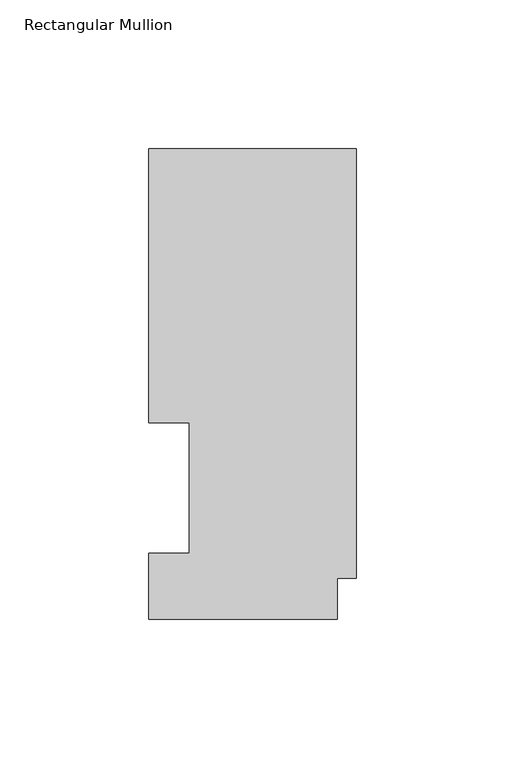
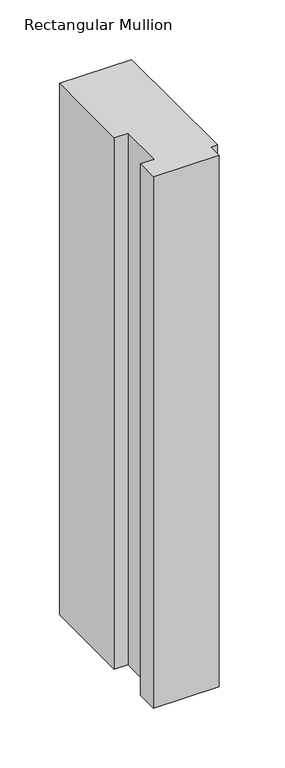
"""IFC4 building model written with IfcOpenShell, lengths in millimetres: member geometry, Rectangular Mullion."""

from ifc_helpers import new_model, si_unit, frame, origin, place, context, project, spatial, polyline, outline, extrude, source, transform, mapped, element, save


def rectangular_mullion_78a6a715(model_context):
    return source(origin(), model_context, "Body", "SweptSolid", [
        extrude(outline(polyline([(0.0, 158.2308875), (0.0, 13.7556875), (-6.35, 13.7556875), (-6.35, -0.0111125), (-69.85, -0.0111125), (-69.85, 22.1122875), (-56.1848, 22.1122875), (-56.1848, 66.0796875), (-69.85, 66.0796875), (-69.85, 158.2308875), (0.0, 158.2308875)])), frame((0.0, 0.0, -545.0099167), z_axis=(0.0, 0.0, 1.0), x_axis=(1.0, 0.0, 0.0)), (0.0, 0.0, 1.0), 545.0099167),
    ])


if __name__ == "__main__":
    model = new_model("IFC4")
    model_context = context("Model", 3, world=origin())
    ifc_project = project(units=[si_unit("LENGTHUNIT", "METRE", prefix="MILLI")], contexts=[model_context])
    site = spatial("IfcSite", under=ifc_project)
    building = spatial("IfcBuilding", under=site)
    placement = place(None, origin())
    rectangular_mullion_shape = rectangular_mullion_78a6a715(model_context)
    element("IfcMember", 1, ObjectType="Rectangular Mullion", at=placement, inside=building, context=model_context, shape_type="MappedRepresentation", body=[
        mapped(rectangular_mullion_shape, transform((0.0, 0.0, 0.0), x_axis=(1.0, 0.0, 0.0), y_axis=(0.0, 1.0, 0.0), z_axis=(0.0, 0.0, 1.0))),
    ])
    save(model, "model.ifc")
